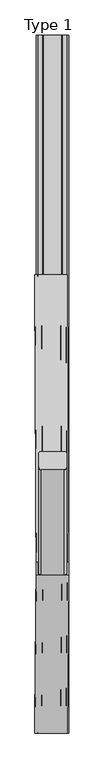
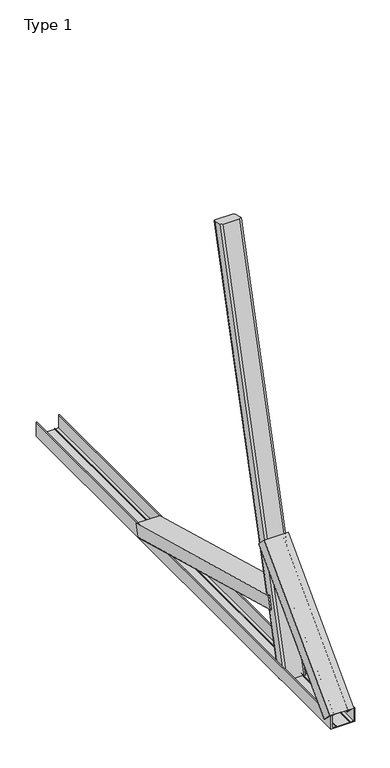
"""IFC4 building model written with IfcOpenShell, lengths in millimetres: proxy geometry, Type 1."""

from ifc_helpers import new_model, si_unit, point, frame, frame_2d, origin, place, context, project, spatial, polyline, circle_curve, ellipse_curve, trimmed, segment, composite_curve, outline, extrude, source, transform, mapped, element, save
from ifc_brep_helpers import plane_surface, cylinder_surface, extruded_surface, advanced_brep


def type_1_2db06424(model_context):
    return source(origin(), model_context, "Body", "SolidModel", [
        advanced_brep(
        [(705.5, -601.2948186, -9.8351237), (710.5, -606.1244477, -8.5410285), (710.5, -633.1703709, -1.2940952), (705.5, -638.0, 0.0), (659.5, -638.0, 0.0), (654.5, -633.1703709, -1.2940952), (654.5, -606.1244477, -8.5410285), (659.5, -601.2948186, -9.8351237), (705.5, -295.7200316, 1130.585507), (659.5, -295.7200316, 1130.585507), (654.5, -300.5496607, 1131.8796022), (654.5, -327.5955838, 1139.1265354), (659.5, -332.425213, 1140.4206307), (705.5, -332.425213, 1140.4206307), (710.5, -327.5955838, 1139.1265354), (710.5, -300.5496607, 1131.8796022), (705.5, -545.3570558, 198.9274491), (710.5, -550.1866849, 200.2215443), (710.5, -549.4271953, 203.0559984), (705.5, -544.5975661, 201.7619032), (710.5, -563.7096465, 203.845011), (710.5, -562.9501568, 206.6794651), (654.5, -549.4271953, 203.0559984), (654.5, -562.9501568, 206.6794651), (654.5, -563.7096465, 203.845011), (654.5, -550.1866849, 200.2215443), (659.5, -545.3570558, 198.9274491), (659.5, -544.5975661, 201.7619032), (662.9114907, -545.3570558, 198.9274491), (662.9114907, -545.9899639, 196.565404), (663.9114907, -545.9899639, 196.565404), (663.9114907, -545.3570558, 198.9274491), (700.9114907, -545.3570558, 198.9274491), (700.9114907, -545.9899639, 196.565404), (701.9114907, -545.9899639, 196.565404), (701.9114907, -545.3570558, 198.9274491), (715.0, -572.1906146, 172.193607), (715.0, -562.9501568, 206.6794651), (712.0, -563.7096465, 203.845011), (712.0, -572.1906146, 172.193607), (650.0, -562.9501568, 206.6794651), (650.0, -572.1906146, 172.193607), (653.0, -572.1906146, 172.193607), (653.0, -563.7096465, 203.845011), (712.0, 49.8656175, 5.5141419), (709.0, 49.8656175, 5.5141419), (709.0, 58.3465856, 37.1655459), (699.0, 58.3465856, 37.1655459), (699.0, 57.7136776, 34.8035008), (698.0, 57.7136776, 34.8035008), (698.0, 58.3465856, 37.1655459), (661.0, 58.3465856, 37.1655459), (661.0, 57.7136776, 34.8035008), (660.0, 57.7136776, 34.8035008), (660.0, 58.3465856, 37.1655459), (650.0, 58.3465856, 37.1655459), (650.0, 49.8656175, 5.5141419), (647.0, 49.8656175, 5.5141419), (647.0, 59.1060753, 40.0), (712.0, 59.1060753, 40.0)],
        [
            (0, 1, circle_curve(frame((705.5, -606.1244477, -8.5410285), z_axis=(0.0, -0.25881904510251247, -0.9659258262890706), x_axis=(0.0, -0.9659258262890706, 0.25881904510251247)), 5.0)),
            (1, 2),
            (2, 3, circle_curve(frame((705.5, -633.1703709, -1.2940952), z_axis=(0.0, -0.25881904510251247, -0.9659258262890706), x_axis=(0.0, -0.9659258262890706, 0.25881904510251247)), 5.0)),
            (3, 4),
            (4, 5, circle_curve(frame((659.5, -633.1703709, -1.2940952), z_axis=(0.0, -0.25881904510251247, -0.9659258262890706), x_axis=(0.0, -0.9659258262890706, 0.25881904510251247)), 5.0)),
            (5, 6),
            (6, 7, circle_curve(frame((659.5, -606.1244477, -8.5410285), z_axis=(0.0, -0.25881904510251247, -0.9659258262890706), x_axis=(0.0, -0.9659258262890706, 0.25881904510251247)), 5.0)),
            (7, 0),
            (8, 9),
            (9, 10, circle_curve(frame((659.5, -300.5496607, 1131.8796022), z_axis=(0.0, 0.25881904510251247, 0.9659258262890706), x_axis=(0.0, -0.9659258262890706, 0.25881904510251247)), 5.0)),
            (10, 11),
            (11, 12, circle_curve(frame((659.5, -327.5955838, 1139.1265354), z_axis=(0.0, 0.25881904510251247, 0.9659258262890706), x_axis=(0.0, -0.9659258262890706, 0.25881904510251247)), 5.0)),
            (12, 13),
            (13, 14, circle_curve(frame((705.5, -327.5955838, 1139.1265354), z_axis=(0.0, 0.25881904510251247, 0.9659258262890706), x_axis=(0.0, -0.9659258262890706, 0.25881904510251247)), 5.0)),
            (14, 15),
            (15, 8, circle_curve(frame((705.5, -300.5496607, 1131.8796022), z_axis=(0.0, 0.25881904510251247, 0.9659258262890706), x_axis=(0.0, -0.9659258262890706, 0.25881904510251247)), 5.0)),
            (0, 16),
            (16, 17, circle_curve(frame((705.5, -550.1866849, 200.2215443), z_axis=(0.0, -0.25881904510251247, -0.9659258262890706), x_axis=(0.0, -0.9659258262890706, 0.25881904510251247)), 5.0)),
            (17, 1),
            (15, 18),
            (18, 19, circle_curve(frame((705.5, -549.4271953, 203.0559984), z_axis=(0.0, 0.25881904510251247, 0.9659258262890706), x_axis=(0.0, -0.9659258262890706, 0.25881904510251247)), 5.0)),
            (19, 8),
            (17, 20),
            (20, 21),
            (21, 18),
            (14, 2),
            (13, 3),
            (12, 4),
            (11, 5),
            (10, 22),
            (22, 23),
            (23, 24),
            (24, 25),
            (25, 6),
            (25, 26, circle_curve(frame((659.5, -550.1866849, 200.2215443), z_axis=(0.0, -0.25881904510251247, -0.9659258262890706), x_axis=(0.0, -0.9659258262890706, 0.25881904510251247)), 5.0)),
            (26, 7),
            (9, 27),
            (27, 22, circle_curve(frame((659.5, -549.4271953, 203.0559984), z_axis=(0.0, 0.25881904510251247, 0.9659258262890706), x_axis=(0.0, -0.9659258262890706, 0.25881904510251247)), 5.0)),
            (26, 28),
            (28, 29),
            (29, 30, ellipse_curve(frame((663.4114907, -545.9899639, 196.565404), z_axis=(0.0, -0.9659258262890701, 0.25881904510251424), x_axis=(-1.0, 0.0, 0.0)), 0.5, 0.4890738)),
            (30, 31),
            (31, 32),
            (32, 33),
            (33, 34, ellipse_curve(frame((701.4114907, -545.9899639, 196.565404), z_axis=(0.0, -0.9659258262890701, 0.25881904510251424), x_axis=(-1.0, 0.0, 0.0)), 0.5, 0.4890738)),
            (34, 35),
            (35, 16),
            (19, 27),
            (36, 37),
            (37, 21),
            (20, 38),
            (38, 39),
            (39, 36, ellipse_curve(frame((713.5, -572.1906146, 172.193607), z_axis=(0.0, -0.9659258262890701, 0.25881904510251424), x_axis=(-1.0, 0.0, 0.0)), 1.5, 1.4672214)),
            (40, 41),
            (41, 42, ellipse_curve(frame((651.5, -572.1906146, 172.193607), z_axis=(0.0, -0.9659258262890701, 0.25881904510251424), x_axis=(-1.0, 0.0, 0.0)), 1.5, 1.4672214)),
            (42, 43),
            (43, 24),
            (23, 40),
            (44, 45, ellipse_curve(frame((710.5, 49.8656175, 5.5141419), z_axis=(0.0, 0.9659258262890701, -0.25881904510251424), x_axis=(-1.0, 0.0, 0.0)), 1.5, 1.4672214)),
            (45, 46),
            (46, 47),
            (47, 48),
            (48, 49, ellipse_curve(frame((698.5, 57.7136776, 34.8035008), z_axis=(0.0, 0.9659258262890701, -0.25881904510251424), x_axis=(-1.0, 0.0, 0.0)), 0.5, 0.4890738)),
            (49, 50),
            (50, 51),
            (51, 52),
            (52, 53, ellipse_curve(frame((660.5, 57.7136776, 34.8035008), z_axis=(0.0, 0.9659258262890701, -0.25881904510251424), x_axis=(-1.0, 0.0, 0.0)), 0.5, 0.4890738)),
            (53, 54),
            (54, 55),
            (55, 56),
            (56, 57, ellipse_curve(frame((648.5, 49.8656175, 5.5141419), z_axis=(0.0, 0.9659258262890701, -0.25881904510251424), x_axis=(-1.0, 0.0, 0.0)), 1.5, 1.4672214)),
            (57, 58),
            (58, 59),
            (59, 44),
            (36, 44),
            (59, 37),
            (58, 40),
            (57, 41),
            (56, 42),
            (55, 43),
            (54, 28),
            (53, 29),
            (52, 30),
            (51, 31),
            (50, 32),
            (49, 33),
            (48, 34),
            (47, 35),
            (46, 38),
            (45, 39),
        ],
        [
            plane_surface(frame((682.5, -638.0, 0.0), z_axis=(0.0, -0.2588190451025124, -0.9659258262890706), x_axis=(1.0, 0.0, 0.0))),
            plane_surface(frame((682.5, -332.425213, 1140.4206307), z_axis=(0.0, 0.2588190451025124, 0.9659258262890706), x_axis=(1.0, 0.0, 0.0))),
            cylinder_surface(frame((705.5, -606.1244477, -8.5410285), z_axis=(0.0, -0.25881904510251247, -0.9659258262890706), x_axis=(0.0, -0.9659258262890706, 0.25881904510251247)), 5.0),
            plane_surface(frame((710.5, -606.1244477, -8.5410285), z_axis=(1.0000000000000002, 0.0, 0.0), x_axis=(0.0, 0.25881904510251247, 0.9659258262890706))),
            cylinder_surface(frame((705.5, -633.1703709, -1.2940952), z_axis=(0.0, -0.25881904510251247, -0.9659258262890706), x_axis=(0.0, -0.9659258262890706, 0.25881904510251247)), 5.0),
            plane_surface(frame((705.5, -638.0, 0.0), z_axis=(0.0, -0.9659258262890706, 0.25881904510251247), x_axis=(0.0, 0.25881904510251247, 0.9659258262890706))),
            cylinder_surface(frame((659.5, -633.1703709, -1.2940952), z_axis=(0.0, -0.25881904510251247, -0.9659258262890706), x_axis=(0.0, -0.9659258262890706, 0.25881904510251247)), 5.0),
            plane_surface(frame((654.5, -633.1703709, -1.2940952), z_axis=(-1.0000000000000002, 0.0, 0.0), x_axis=(0.0, 0.25881904510251247, 0.9659258262890705))),
            cylinder_surface(frame((659.5, -606.1244477, -8.5410285), z_axis=(0.0, -0.25881904510251247, -0.9659258262890706), x_axis=(0.0, -0.9659258262890706, 0.25881904510251247)), 5.0),
            plane_surface(frame((659.5, -601.2948186, -9.8351237), z_axis=(0.0, 0.9659258262890706, -0.25881904510251247), x_axis=(0.0, 0.25881904510251247, 0.9659258262890706))),
            plane_surface(frame((682.5, -565.8931793, 195.6959555), z_axis=(0.0, -0.9659258262890701, 0.25881904510251436), x_axis=(0.0, 0.25881904510251436, 0.9659258262890701))),
            plane_surface(frame((679.5, 56.1630528, 29.0164904), z_axis=(0.0, 0.9659258262890702, -0.2588190451025139), x_axis=(0.0, 0.2588190451025139, 0.9659258262890702))),
            plane_surface(frame((712.0, 54.4858464, 22.757071), z_axis=(0.9999891499007516, 0.004499605648593148, -0.0012056656997988958), x_axis=(0.0, 0.25881904510251436, 0.9659258262890701))),
            plane_surface(frame((679.5, 59.1060753, 40.0), z_axis=(0.0, 0.25881904510251436, 0.9659258262890701), x_axis=(-1.0, 0.0, 0.0))),
            plane_surface(frame((647.0, 54.4858464, 22.757071), z_axis=(-0.9999891499007516, -0.004499605648593149, 0.001205665699798896), x_axis=(0.0, -0.25881904510251436, -0.9659258262890701))),
            extruded_surface(trimmed(ellipse_curve(frame((648.5, 49.8656175, 5.5141419), z_axis=(0.0, -0.9659258262890701, 0.25881904510251424), x_axis=(-1.0, 0.0, 0.0)), 1.5, 1.4672214), [point((647.0, 49.8656175, 5.5141419))], [point((650.0, 49.8656175, 5.5141419))], True, "CARTESIAN"), (3.0, -622.0562321, 166.6794651), 644.0069875245696),
            plane_surface(frame((650.0, 54.1061016, 21.3398439), z_axis=(0.9999891499007516, 0.004499605648593147, -0.0012056656997988956), x_axis=(0.0, 0.25881904510251436, 0.9659258262890701))),
            plane_surface(frame((655.0, 58.3465856, 37.1655459), z_axis=(0.0, -0.2588190451025134, -0.9659258262890703), x_axis=(1.0, 0.0, 0.0))),
            plane_surface(frame((660.0, 58.0301316, 35.9845234), z_axis=(-0.9999891499007514, -0.004499605648593146, 0.0012056656997988956), x_axis=(0.0, -0.2588190451025144, -0.96592582628907))),
            extruded_surface(trimmed(ellipse_curve(frame((660.5, 57.7136776, 34.8035008), z_axis=(0.0, -0.9659258262890701, 0.25881904510251424), x_axis=(-1.0, 0.0, 0.0)), 0.5, 0.4890738), [point((660.0, 57.7136776, 34.8035008))], [point((661.0, 57.7136776, 34.8035008))], True, "CARTESIAN"), (3.0, -622.0562322, 166.67946510000002), 644.0069876211611),
            plane_surface(frame((661.0, 58.0301316, 35.9845234), z_axis=(0.9999891499007514, 0.004499605648593149, -0.0012056656997988964), x_axis=(0.0, 0.2588190451025144, 0.96592582628907))),
            plane_surface(frame((679.5, 58.3465856, 37.1655459), z_axis=(0.0, -0.25881904510251424, -0.9659258262890701), x_axis=(1.0, 0.0, 0.0))),
            plane_surface(frame((698.0, 58.0301316, 35.9845234), z_axis=(-0.9999891499007514, -0.004499605648593145, 0.0012056656997988953), x_axis=(0.0, -0.2588190451025144, -0.96592582628907))),
            extruded_surface(trimmed(ellipse_curve(frame((698.5, 57.7136776, 34.8035008), z_axis=(0.0, -0.9659258262890701, 0.25881904510251424), x_axis=(-1.0, 0.0, 0.0)), 0.5, 0.4890738), [point((698.0, 57.7136776, 34.8035008))], [point((699.0, 57.7136776, 34.8035008))], True, "CARTESIAN"), (3.0, -622.0562322, 166.67946510000002), 644.0069876211611),
            plane_surface(frame((699.0, 58.0301316, 35.9845234), z_axis=(0.9999891499007514, 0.0044996056485931395, -0.001205665699798894), x_axis=(0.0, 0.2588190451025144, 0.96592582628907))),
            plane_surface(frame((704.0, 58.3465856, 37.1655459), z_axis=(0.0, -0.2588190451025142, -0.9659258262890701), x_axis=(1.0, 0.0, 0.0))),
            plane_surface(frame((709.0, 54.1061016, 21.3398439), z_axis=(-0.9999891499007516, -0.004499605648593149, 0.001205665699798896), x_axis=(0.0, -0.25881904510251436, -0.9659258262890701))),
            extruded_surface(trimmed(ellipse_curve(frame((710.5, 49.8656175, 5.5141419), z_axis=(0.0, -0.9659258262890701, 0.25881904510251424), x_axis=(-1.0, 0.0, 0.0)), 1.5, 1.4672214), [point((709.0, 49.8656175, 5.5141419))], [point((712.0, 49.8656175, 5.5141419))], True, "CARTESIAN"), (3.0, -622.0562321, 166.6794651), 644.0069875245696),
        ],
        [
            (0, [[1, 2, 3, 4, 5, 6, 7, 8]]),
            (1, [[9, 10, 11, 12, 13, 14, 15, 16]]),
            (2, [[-1, 17, 18, 19]]),
            (2, [[-16, 20, 21, 22]]),
            (3, [[-2, -19, 23, 24, 25, -20, -15, 26]]),
            (4, [[-3, -26, -14, 27]]),
            (5, [[-4, -27, -13, 28]]),
            (6, [[-5, -28, -12, 29]]),
            (7, [[-6, -29, -11, 30, 31, 32, 33, 34]]),
            (8, [[-7, -34, 35, 36]]),
            (8, [[-10, 37, 38, -30]]),
            (9, [[-8, -36, 39, 40, 41, 42, 43, 44, 45, 46, 47, -17]]),
            (9, [[-9, -22, 48, -37]]),
            (10, [[49, 50, -24, 51, 52, 53]]),
            (10, [[54, 55, 56, 57, -32, 58]]),
            (11, [[59, 60, 61, 62, 63, 64, 65, 66, 67, 68, 69, 70, 71, 72, 73, 74]]),
            (12, [[-49, 75, -74, 76]]),
            (13, [[-73, 77, -58, -31, -38, -48, -21, -25, -50, -76]]),
            (14, [[-54, -77, -72, 78]]),
            (15, [[-55, -78, -71, 79]]),
            (16, [[-56, -79, -70, 80]]),
            (17, [[-69, 81, -39, -35, -33, -57, -80]]),
            (18, [[-68, 82, -40, -81]]),
            (19, [[-67, 83, -41, -82]]),
            (20, [[-66, 84, -42, -83]]),
            (21, [[-65, 85, -43, -84]]),
            (22, [[-64, 86, -44, -85]]),
            (23, [[-63, 87, -45, -86]]),
            (24, [[-62, 88, -46, -87]]),
            (25, [[-61, 89, -51, -23, -18, -47, -88]]),
            (26, [[-52, -89, -60, 90]]),
            (27, [[-53, -90, -59, -75]]),
        ],
    ),
        advanced_brep(
        [(647.0, -860.226997, 40.0), (647.0, -834.4175995, 14.1906025), (650.0, -834.4175995, 14.1906025), (650.0, -858.1056766, 37.8786797), (660.0, -858.1056766, 37.8786797), (660.0, -856.3379097, 36.1109127), (661.0, -856.3379097, 36.1109127), (661.0, -858.1056766, 37.8786797), (698.0, -858.1056766, 37.8786797), (698.0, -856.3379097, 36.1109127), (699.0, -856.3379097, 36.1109127), (699.0, -858.1056766, 37.8786797), (709.0, -858.1056766, 37.8786797), (709.0, -834.4175995, 14.1906025), (712.0, -834.4175995, 14.1906025), (712.0, -860.226997, 40.0), (650.0, -544.0289454, 356.1980515), (715.0, -544.0289454, 356.1980515), (715.0, -518.2195479, 330.388654), (712.0, -518.2195479, 330.388654), (712.0, -541.9076251, 354.0767312), (702.0, -541.9076251, 354.0767312), (702.0, -540.1398581, 352.3089642), (701.0, -540.1398581, 352.3089642), (701.0, -541.9076251, 354.0767312), (664.0, -541.9076251, 354.0767312), (664.0, -540.1398581, 352.3089642), (663.0, -540.1398581, 352.3089642), (663.0, -541.9076251, 354.0767312), (653.0, -541.9076251, 354.0767312), (653.0, -518.2195479, 330.388654), (650.0, -518.2195479, 330.388654)],
        [
            (0, 1),
            (1, 2, circle_curve(frame((648.5, -834.4175995, 14.1906025), z_axis=(0.0, -0.7071067811865436, -0.7071067811865516), x_axis=(0.0, 0.7071067811865516, -0.7071067811865436)), 1.5)),
            (2, 3),
            (3, 4),
            (4, 5),
            (5, 6, circle_curve(frame((660.5, -856.3379097, 36.1109127), z_axis=(0.0, -0.7071067811865436, -0.7071067811865516), x_axis=(0.0, 0.7071067811865516, -0.7071067811865436)), 0.5)),
            (6, 7),
            (7, 8),
            (8, 9),
            (9, 10, circle_curve(frame((698.5, -856.3379097, 36.1109127), z_axis=(0.0, -0.7071067811865436, -0.7071067811865516), x_axis=(0.0, 0.7071067811865516, -0.7071067811865436)), 0.5)),
            (10, 11),
            (11, 12),
            (12, 13),
            (13, 14, circle_curve(frame((710.5, -834.4175995, 14.1906025), z_axis=(0.0, -0.7071067811865436, -0.7071067811865516), x_axis=(0.0, 0.7071067811865516, -0.7071067811865436)), 1.5)),
            (14, 15),
            (15, 0),
            (16, 17),
            (17, 18),
            (18, 19, circle_curve(frame((713.5, -518.2195479, 330.388654), z_axis=(0.0, 0.7071067811865436, 0.7071067811865516), x_axis=(0.0, 0.7071067811865516, -0.7071067811865436)), 1.5)),
            (19, 20),
            (20, 21),
            (21, 22),
            (22, 23, circle_curve(frame((701.5, -540.1398581, 352.3089642), z_axis=(0.0, 0.7071067811865436, 0.7071067811865516), x_axis=(0.0, 0.7071067811865516, -0.7071067811865436)), 0.5)),
            (23, 24),
            (24, 25),
            (25, 26),
            (26, 27, circle_curve(frame((663.5, -540.1398581, 352.3089642), z_axis=(0.0, 0.7071067811865436, 0.7071067811865516), x_axis=(0.0, 0.7071067811865516, -0.7071067811865436)), 0.5)),
            (27, 28),
            (28, 29),
            (29, 30),
            (30, 31, circle_curve(frame((651.5, -518.2195479, 330.388654), z_axis=(0.0, 0.7071067811865436, 0.7071067811865516), x_axis=(0.0, 0.7071067811865516, -0.7071067811865436)), 1.5)),
            (31, 16),
            (31, 1),
            (0, 16),
            (30, 2),
            (29, 3),
            (28, 4),
            (27, 5),
            (26, 6),
            (25, 7),
            (24, 8),
            (23, 9),
            (22, 10),
            (21, 11),
            (20, 12),
            (19, 13),
            (18, 14),
            (17, 15),
        ],
        [
            plane_surface(frame((679.5, -852.0068806, 31.7798837), z_axis=(0.0, -0.7071067811865436, -0.7071067811865515), x_axis=(0.0, 0.7071067811865515, -0.7071067811865436))),
            plane_surface(frame((682.5, -535.8088291, 347.9779352), z_axis=(0.0, 0.7071067811865435, 0.7071067811865516), x_axis=(0.0, 0.7071067811865516, -0.7071067811865435))),
            plane_surface(frame((650.0, -531.1242467, 343.2933528), z_axis=(-0.999977496530591, 0.004743755496023068, 0.004743755496022996), x_axis=(0.0, 0.7071067811865515, -0.7071067811865436))),
            extruded_surface(trimmed(circle_curve(frame((651.5, -518.2195479, 330.388654), z_axis=(0.0, -0.7071067811865436, -0.7071067811865516), x_axis=(0.0, 0.7071067811865516, -0.7071067811865436)), 1.5), [point((650.0, -518.2195479, 330.388654))], [point((653.0, -518.2195479, 330.388654))], True, "CARTESIAN"), (-3.0, -316.1980516000001, -316.19805149999996), 447.1816360362229),
            plane_surface(frame((653.0, -530.0635865, 342.2326926), z_axis=(0.999977496530591, -0.004743755496023066, -0.0047437554960229975), x_axis=(0.0, -0.7071067811865517, 0.7071067811865434))),
            plane_surface(frame((658.0, -541.9076251, 354.0767312), z_axis=(0.0, 0.7071067811865521, -0.7071067811865429), x_axis=(1.0, 0.0, 0.0))),
            plane_surface(frame((663.0, -541.0237416, 353.1928477), z_axis=(-0.999977496530591, 0.0047437554960230565, 0.004743755496023008), x_axis=(0.0, 0.7071067811865532, -0.7071067811865419))),
            extruded_surface(trimmed(circle_curve(frame((663.5, -540.1398581, 352.3089642), z_axis=(0.0, -0.7071067811865436, -0.7071067811865516), x_axis=(0.0, 0.7071067811865516, -0.7071067811865436)), 0.5), [point((663.0, -540.1398581, 352.3089642))], [point((664.0, -540.1398581, 352.3089642))], True, "CARTESIAN"), (-3.0, -316.1980516, -316.1980515), 447.18163603622287),
            plane_surface(frame((664.0, -541.0237416, 353.1928477), z_axis=(0.999977496530591, -0.00474375549602307, -0.004743755496023021), x_axis=(0.0, -0.7071067811865532, 0.7071067811865419))),
            plane_surface(frame((682.5, -541.9076251, 354.0767312), z_axis=(0.0, 0.7071067811865521, -0.7071067811865429), x_axis=(1.0, 0.0, 0.0))),
            plane_surface(frame((701.0, -541.0237416, 353.1928477), z_axis=(-0.999977496530591, 0.004743755496023064, 0.004743755496023015), x_axis=(0.0, 0.7071067811865532, -0.7071067811865419))),
            extruded_surface(trimmed(circle_curve(frame((701.5, -540.1398581, 352.3089642), z_axis=(0.0, -0.7071067811865436, -0.7071067811865516), x_axis=(0.0, 0.7071067811865516, -0.7071067811865436)), 0.5), [point((701.0, -540.1398581, 352.3089642))], [point((702.0, -540.1398581, 352.3089642))], True, "CARTESIAN"), (-3.0, -316.1980516, -316.1980515), 447.18163603622287),
            plane_surface(frame((702.0, -541.0237416, 353.1928477), z_axis=(0.999977496530591, -0.004743755496023074, -0.004743755496023002), x_axis=(0.0, -0.7071067811865515, 0.7071067811865436))),
            plane_surface(frame((707.0, -541.9076251, 354.0767312), z_axis=(0.0, 0.707106781186552, -0.707106781186543), x_axis=(1.0, 0.0, 0.0))),
            plane_surface(frame((712.0, -530.0635865, 342.2326926), z_axis=(-0.999977496530591, 0.004743755496023075, 0.004743755496023004), x_axis=(0.0, 0.7071067811865516, -0.7071067811865435))),
            extruded_surface(trimmed(circle_curve(frame((713.5, -518.2195479, 330.388654), z_axis=(0.0, -0.7071067811865436, -0.7071067811865516), x_axis=(0.0, 0.7071067811865516, -0.7071067811865436)), 1.5), [point((712.0, -518.2195479, 330.388654))], [point((715.0, -518.2195479, 330.388654))], True, "CARTESIAN"), (-3.0, -316.1980516000001, -316.19805149999996), 447.1816360362229),
            plane_surface(frame((715.0, -531.1242467, 343.2933528), z_axis=(0.999977496530591, -0.004743755496023073, -0.004743755496023002), x_axis=(0.0, -0.7071067811865516, 0.7071067811865436))),
            plane_surface(frame((682.5, -544.0289454, 356.1980515), z_axis=(0.0, -0.7071067811865523, 0.7071067811865428), x_axis=(-1.0, 0.0, 0.0))),
        ],
        [
            (0, [[1, 2, 3, 4, 5, 6, 7, 8, 9, 10, 11, 12, 13, 14, 15, 16]]),
            (1, [[17, 18, 19, 20, 21, 22, 23, 24, 25, 26, 27, 28, 29, 30, 31, 32]]),
            (2, [[-32, 33, -1, 34]]),
            (3, [[-31, 35, -2, -33]]),
            (4, [[-30, 36, -3, -35]]),
            (5, [[-29, 37, -4, -36]]),
            (6, [[-28, 38, -5, -37]]),
            (7, [[-27, 39, -6, -38]]),
            (8, [[-26, 40, -7, -39]]),
            (9, [[-25, 41, -8, -40]]),
            (10, [[-24, 42, -9, -41]]),
            (11, [[-23, 43, -10, -42]]),
            (12, [[-22, 44, -11, -43]]),
            (13, [[-21, 45, -12, -44]]),
            (14, [[-20, 46, -13, -45]]),
            (15, [[-19, 47, -14, -46]]),
            (16, [[-18, 48, -15, -47]]),
            (17, [[-17, -34, -16, -48]]),
        ],
    ),
        extrude(outline(composite_curve([segment(polyline([(0.0, 650.0), (0.0, 715.0), (38.5, 715.0)]), True, "CONTINUOUS"), segment(trimmed(circle_curve(frame_2d((38.5, 713.5)), 1.5), [point((38.5, 715.0))], [point((38.5, 712.0))], False, "CARTESIAN"), True, "CONTINUOUS"), segment(polyline([(38.5, 712.0), (3.0, 712.0), (3.0, 702.0), (5.5, 702.0)]), True, "CONTINUOUS"), segment(trimmed(circle_curve(frame_2d((5.5, 701.5)), 0.5), [point((5.5, 702.0))], [point((5.5, 701.0))], False, "CARTESIAN"), True, "CONTINUOUS"), segment(polyline([(5.5, 701.0), (3.0, 701.0), (3.0, 664.0), (5.5, 664.0)]), True, "CONTINUOUS"), segment(trimmed(circle_curve(frame_2d((5.5, 663.5)), 0.5), [point((5.5, 664.0))], [point((5.5, 663.0))], False, "CARTESIAN"), True, "CONTINUOUS"), segment(polyline([(5.5, 663.0), (3.0, 663.0), (3.0, 653.0), (38.5, 653.0)]), True, "CONTINUOUS"), segment(trimmed(circle_curve(frame_2d((38.5, 651.5)), 1.5), [point((38.5, 653.0))], [point((38.5, 650.0))], False, "CARTESIAN"), True, "CONTINUOUS"), segment(polyline([(38.5, 650.0), (0.0, 650.0)]), True, "CONTINUOUS")], self_intersect=False)), frame((0.0, -860.226997, 0.0), z_axis=(0.0, 1.0, 0.0), x_axis=(0.0, 0.0, 1.0)), (0.0, 0.0, 1.0), 1400.0),
    ])


if __name__ == "__main__":
    model = new_model("IFC4")
    model_context = context("Model", 3, world=origin())
    ifc_project = project(units=[si_unit("LENGTHUNIT", "METRE", prefix="MILLI")], contexts=[model_context])
    site = spatial("IfcSite", under=ifc_project)
    building = spatial("IfcBuilding", under=site)
    placement = place(None, origin())
    type_1_shape = type_1_2db06424(model_context)
    element("IfcBuildingElementProxy", 1, Name="Type 1", ObjectType="Type 1", at=placement, inside=building, context=model_context, shape_type="MappedRepresentation", body=[
        mapped(type_1_shape, transform((0.0, 0.0, 0.0), x_axis=(1.0, 0.0, 0.0), y_axis=(0.0, 1.0, 0.0), z_axis=(0.0, 0.0, 1.0))),
    ])
    save(model, "model.ifc")
